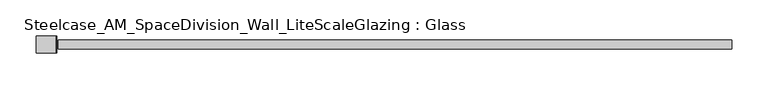
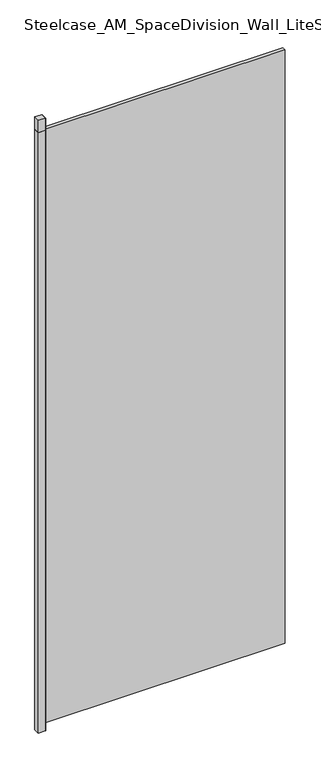
"""IFC4 building model written with IfcOpenShell, lengths in millimetres: plate geometry, Steelcase_AM_SpaceDivision_Wall_LiteScaleGlazing : Glass."""

from ifc_helpers import new_model, si_unit, frame, origin, origin_with_axes, place, context, project, spatial, polyline, outline, extrude, source, transform, mapped, element, save


def steelcase_am_spacedivision_wall_litescaleglazing_glass_3a56b8b3(model_context):
    return source(origin(), model_context, "Body", "SweptSolid", [
        extrude(outline(polyline([(-466.5893292, 11.7474777), (-466.5893292, -11.7475002), (-493.5767959, -11.7475002), (-493.5767959, 11.7474777), (-466.5893292, 11.7474777)])), frame((0.0, 0.0, 2424.684), z_axis=(0.0, 0.0, 1.0), x_axis=(1.0, 0.0, 0.0)), (0.0, 0.0, 1.0), 49.276),
        extrude(outline(polyline([(-493.5767959, 11.7474777), (-466.5893292, 11.7474777), (-466.5893292, 6.3500051), (-489.084571, 6.3500051), (-489.084571, -6.3896792), (-466.5893292, -6.3896792), (-466.5893292, -11.7475002), (-493.5767959, -11.7475002), (-493.5767959, 11.7474777)])), frame((0.0, 0.0, -27.8638004), z_axis=(0.0, 0.0, 1.0), x_axis=(1.0, 0.0, 0.0)), (0.0, 0.0, 1.0), 2452.5478004),
        extrude(outline(polyline([(-466.5893292, 11.7474777), (-465.5606002, 11.7474777), (-465.5606002, -11.7474954), (-466.5893292, -11.7474954), (-466.5893292, 11.7474777)])), frame((0.0, 0.0, -27.8638004), z_axis=(0.0, 0.0, 1.0), x_axis=(1.0, 0.0, 0.0)), (0.0, 0.0, 1.0), 2501.8238004),
        extrude(outline(polyline([(-463.5286002, -6.349956), (-463.5286002, 6.3502015), (463.5286002, 6.3502015), (463.5286002, -6.349956), (-463.5286002, -6.349956)])), origin_with_axes(), (0.0, 0.0, 1.0), 2424.684),
    ])


if __name__ == "__main__":
    model = new_model("IFC4")
    model_context = context("Model", 3, world=origin())
    ifc_project = project(units=[si_unit("LENGTHUNIT", "METRE", prefix="MILLI")], contexts=[model_context])
    site = spatial("IfcSite", under=ifc_project)
    building = spatial("IfcBuilding", under=site)
    placement = place(None, origin())
    steelcase_am_spacedivision_wall_litescaleglazing_glass_shape = steelcase_am_spacedivision_wall_litescaleglazing_glass_3a56b8b3(model_context)
    element("IfcPlate", 1, ObjectType="Steelcase_AM_SpaceDivision_Wall_LiteScaleGlazing : Glass", at=placement, inside=building, context=model_context, shape_type="MappedRepresentation", body=[
        mapped(steelcase_am_spacedivision_wall_litescaleglazing_glass_shape, transform((0.0, 0.0, 0.0), x_axis=(1.0, 0.0, 0.0), y_axis=(0.0, 1.0, 0.0), z_axis=(0.0, 0.0, 1.0))),
    ])
    save(model, "model.ifc")
